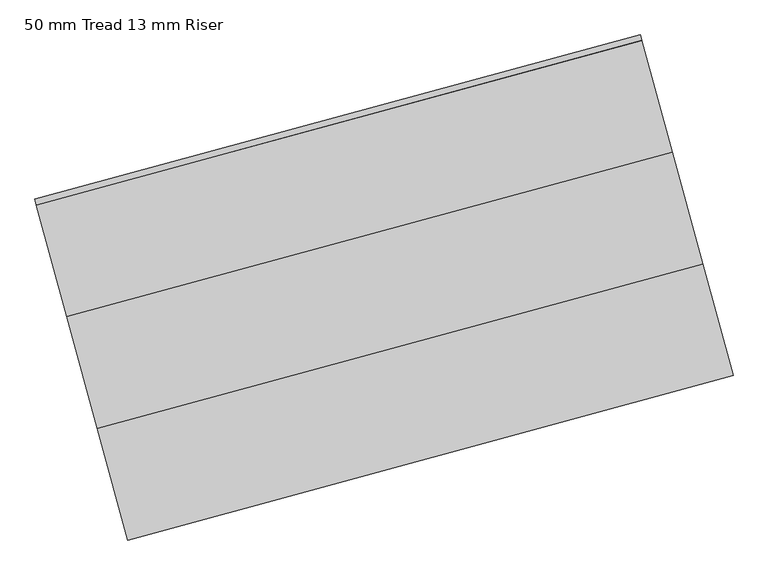
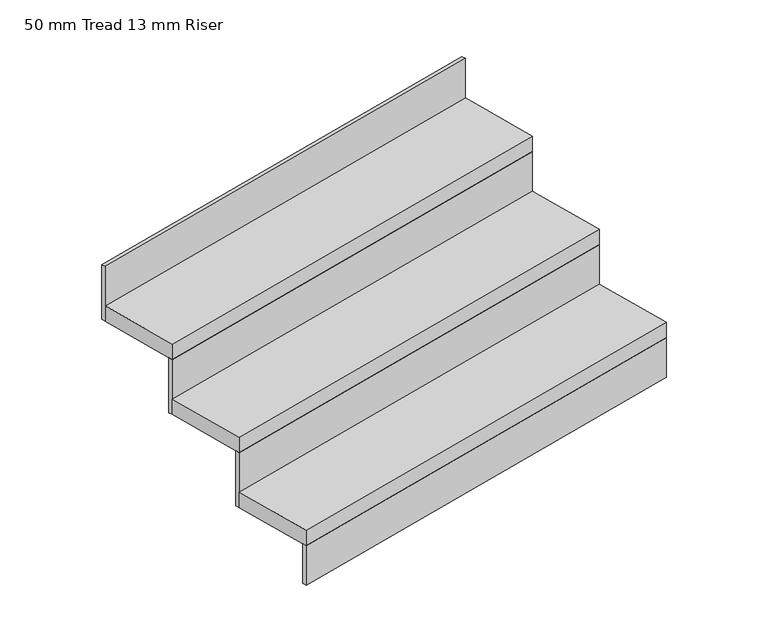
"""IFC4 building model written with IfcOpenShell, lengths in millimetres: stair flight geometry, 50 mm Tread 13 mm Riser."""

from ifc_helpers import new_model, si_unit, frame, origin, origin_with_axes, place, context, project, spatial, polyline, outline, extrude, source, transform, mapped, element, save


def stair_flight_50_mm_tread_13_mm_riser_819d1116(model_context):
    return source(origin(), model_context, "Body", "SweptSolid", [
        extrude(outline(polyline([(240890.6326387, -62841.6054291), (240893.9112492, -62853.6677967), (239587.4668587, -63208.7657651), (239584.1882482, -63196.7033975), (240890.6326387, -62841.6054291)])), origin_with_axes(), (0.0, 0.0, 1.0), 127.7777778),
        extrude(outline(polyline([(239521.8946494, -62967.518412), (240828.3390399, -62612.4204436), (240893.9112492, -62853.6677967), (239587.4668587, -63208.7657651), (239521.8946494, -62967.518412)])), frame((0.0, 0.0, 127.7777778), z_axis=(0.0, 0.0, 1.0), x_axis=(1.0, 0.0, 0.0)), (0.0, 0.0, 1.0), 50.0),
        extrude(outline(polyline([(240825.0604294, -62600.358076), (240828.3390399, -62612.4204436), (239521.8946494, -62967.518412), (239518.616039, -62955.4560444), (240825.0604294, -62600.358076)])), frame((0.0, 0.0, 127.7777778), z_axis=(0.0, 0.0, 1.0), x_axis=(1.0, 0.0, 0.0)), (0.0, 0.0, 1.0), 177.7777778),
        extrude(outline(polyline([(239456.3224402, -62726.2710589), (240762.7668306, -62371.1730906), (240828.3390399, -62612.4204436), (239521.8946494, -62967.518412), (239456.3224402, -62726.2710589)])), frame((0.0, 0.0, 305.5555556), z_axis=(0.0, 0.0, 1.0), x_axis=(1.0, 0.0, 0.0)), (0.0, 0.0, 1.0), 50.0),
        extrude(outline(polyline([(240759.4882202, -62359.1107229), (240762.7668306, -62371.1730906), (239456.3224402, -62726.2710589), (239453.0438297, -62714.2086913), (240759.4882202, -62359.1107229)])), frame((0.0, 0.0, 305.5555556), z_axis=(0.0, 0.0, 1.0), x_axis=(1.0, 0.0, 0.0)), (0.0, 0.0, 1.0), 177.7777778),
        extrude(outline(polyline([(240693.9160109, -62117.8633698), (240697.1946214, -62129.9257375), (239390.7502309, -62485.0237058), (239387.4716204, -62472.9613382), (240693.9160109, -62117.8633698)])), frame((0.0, 0.0, 483.3333333), z_axis=(0.0, 0.0, 1.0), x_axis=(1.0, 0.0, 0.0)), (0.0, 0.0, 1.0), 177.7777778),
        extrude(outline(polyline([(239390.7502309, -62485.0237058), (240697.1946214, -62129.9257375), (240762.7668306, -62371.1730906), (239456.3224402, -62726.2710589), (239390.7502309, -62485.0237058)])), frame((0.0, 0.0, 483.3333333), z_axis=(0.0, 0.0, 1.0), x_axis=(1.0, 0.0, 0.0)), (0.0, 0.0, 1.0), 50.0),
    ])


if __name__ == "__main__":
    model = new_model("IFC4")
    model_context = context("Model", 3, world=origin())
    ifc_project = project(units=[si_unit("LENGTHUNIT", "METRE", prefix="MILLI")], contexts=[model_context])
    site = spatial("IfcSite", under=ifc_project)
    building = spatial("IfcBuilding", under=site)
    placement = place(None, origin())
    stair_flight_50_mm_tread_13_mm_riser_shape = stair_flight_50_mm_tread_13_mm_riser_819d1116(model_context)
    element("IfcStairFlight", 1, ObjectType="50 mm Tread 13 mm Riser", at=placement, inside=building, context=model_context, shape_type="MappedRepresentation", body=[
        mapped(stair_flight_50_mm_tread_13_mm_riser_shape, transform((0.0, 0.0, 0.0), x_axis=(1.0, 0.0, 0.0), y_axis=(0.0, 1.0, 0.0), z_axis=(0.0, 0.0, 1.0))),
    ])
    save(model, "model.ifc")
